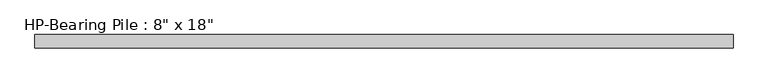
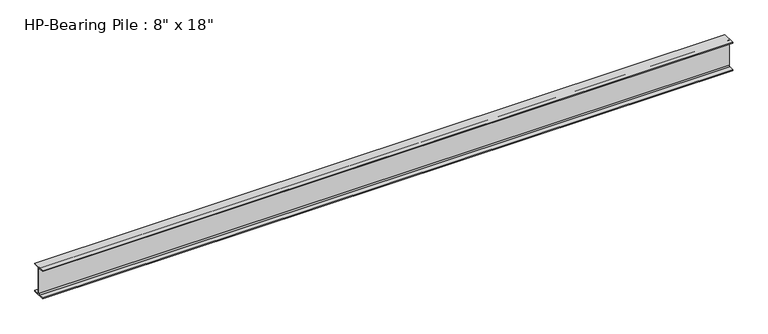
"""IFC4 building model written with IfcOpenShell, lengths in millimetres: beam geometry."""

from ifc_helpers import new_model, si_unit, point, frame, frame_2d, origin, place, context, project, spatial, polyline, circle_curve, trimmed, segment, composite_curve, outline, extrude, source, transform, mapped, element, save


def beam_bd90b8ca(model_context):
    return source(origin(), model_context, "Body", "SweptSolid", [
        extrude(outline(composite_curve([segment(polyline([(101.6, -215.503125), (101.6, -228.6), (-101.6, -228.6), (-101.6, -215.503125), (-25.2015625, -215.503125)]), True, "CONTINUOUS"), segment(trimmed(circle_curve(frame_2d((-25.2015625, -196.85)), 18.653125), [point((-25.2015625, -215.503125))], [point((-6.5484375, -196.85))], True, "CARTESIAN"), True, "CONTINUOUS"), segment(polyline([(-6.5484375, -196.85), (-6.5484375, 196.85)]), True, "CONTINUOUS"), segment(trimmed(circle_curve(frame_2d((-25.2015625, 196.85)), 18.653125), [point((-6.5484375, 196.85))], [point((-25.2015625, 215.503125))], True, "CARTESIAN"), True, "CONTINUOUS"), segment(polyline([(-25.2015625, 215.503125), (-101.6, 215.503125), (-101.6, 228.6), (101.6, 228.6), (101.6, 215.503125), (25.2015625, 215.503125)]), True, "CONTINUOUS"), segment(trimmed(circle_curve(frame_2d((25.2015625, 196.85)), 18.653125), [point((25.2015625, 215.503125))], [point((6.5484375, 196.85))], True, "CARTESIAN"), True, "CONTINUOUS"), segment(polyline([(6.5484375, 196.85), (6.5484375, -196.85)]), True, "CONTINUOUS"), segment(trimmed(circle_curve(frame_2d((25.2015625, -196.85)), 18.653125), [point((6.5484375, -196.85))], [point((25.2015625, -215.503125))], True, "CARTESIAN"), True, "CONTINUOUS"), segment(polyline([(25.2015625, -215.503125), (101.6, -215.503125)]), True, "CONTINUOUS")], self_intersect=False)), frame((-5320.0452994, 0.0, 0.0), z_axis=(1.0, 0.0, 0.0), x_axis=(0.0, 1.0, 0.0)), (0.0, 0.0, 1.0), 10640.0905988),
    ])


if __name__ == "__main__":
    model = new_model("IFC4")
    model_context = context("Model", 3, world=origin())
    ifc_project = project(units=[si_unit("LENGTHUNIT", "METRE", prefix="MILLI")], contexts=[model_context])
    site = spatial("IfcSite", under=ifc_project)
    building = spatial("IfcBuilding", under=site)
    placement = place(None, origin())
    beam_shape = beam_bd90b8ca(model_context)
    element("IfcBeam", 1, ObjectType="HP-Bearing Pile : 8\" x 18\"", at=placement, inside=building, context=model_context, shape_type="MappedRepresentation", body=[
        mapped(beam_shape, transform((0.0, 0.0, 0.0), x_axis=(1.0, 0.0, 0.0), y_axis=(0.0, 1.0, 0.0), z_axis=(0.0, 0.0, 1.0))),
    ])
    save(model, "model.ifc")
